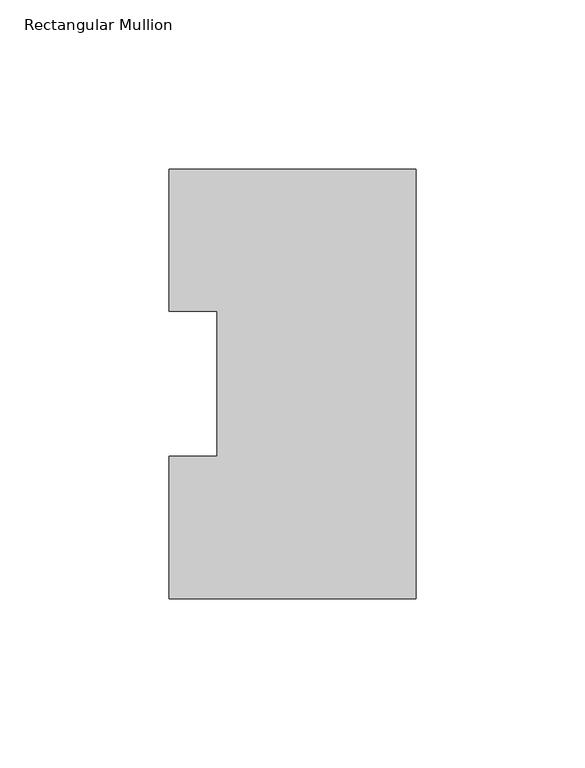
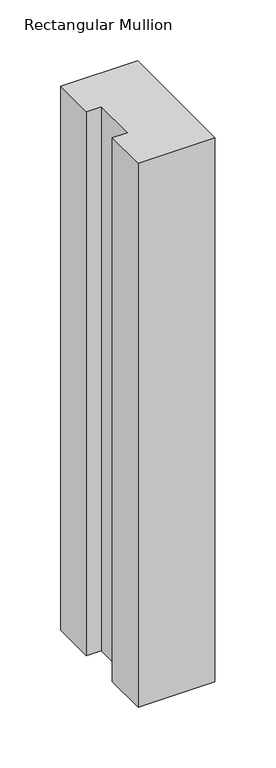
"""IFC4 building model written with IfcOpenShell, lengths in millimetres: member geometry, Rectangular Mullion."""

from ifc_helpers import new_model, si_unit, frame, origin, place, context, project, spatial, polyline, outline, extrude, source, transform, mapped, element, save


def rectangular_mullion_f04e5e7d(model_context):
    return source(origin(), model_context, "Body", "SweptSolid", [
        extrude(outline(polyline([(0.0, 127.006348), (0.0, 0.0063465), (-73.025, 0.0063465), (-73.025, 42.0814491), (-58.7375, 42.0814491), (-58.7375, 84.93125), (-73.025, 84.93125), (-73.025, 127.006348), (0.0, 127.006348)])), frame((0.0, 0.0, -546.1), z_axis=(0.0, 0.0, 1.0), x_axis=(1.0, 0.0, 0.0)), (0.0, 0.0, 1.0), 546.1),
    ])


if __name__ == "__main__":
    model = new_model("IFC4")
    model_context = context("Model", 3, world=origin())
    ifc_project = project(units=[si_unit("LENGTHUNIT", "METRE", prefix="MILLI")], contexts=[model_context])
    site = spatial("IfcSite", under=ifc_project)
    building = spatial("IfcBuilding", under=site)
    placement = place(None, origin())
    rectangular_mullion_shape = rectangular_mullion_f04e5e7d(model_context)
    element("IfcMember", 1, ObjectType="Rectangular Mullion", at=placement, inside=building, context=model_context, shape_type="MappedRepresentation", body=[
        mapped(rectangular_mullion_shape, transform((0.0, 0.0, 0.0), x_axis=(1.0, 0.0, 0.0), y_axis=(0.0, 1.0, 0.0), z_axis=(0.0, 0.0, 1.0))),
    ])
    save(model, "model.ifc")
